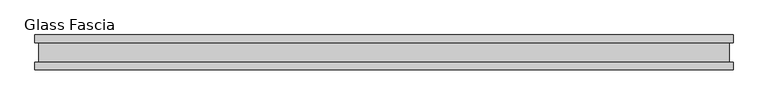
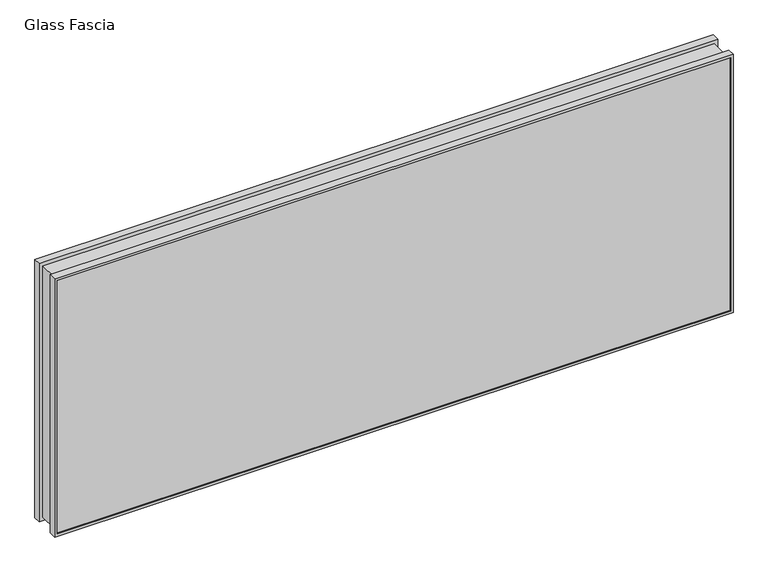
"""IFC4 building model written with IfcOpenShell, lengths in millimetres: proxy geometry, Glass Fascia."""

from ifc_helpers import new_model, si_unit, frame, origin, place, context, project, spatial, polyline, outline, extrude, faceted_brep, source, transform, mapped, element, save


def glass_fascia_e55c546c(model_context):
    return source(origin(), model_context, "Body", "SolidModel", [
        faceted_brep([(998.8721539, 50.0558594, 807.593), (998.8721539, 28.2698798, 807.593), (998.8721539, 28.2698798, 3.175), (998.8721539, 50.0558594, 3.175), (991.4369461, 47.1322551, 800.1577922), (991.4369461, 50.0558594, 800.1577922), (991.4369461, 50.0558594, 10.6102078), (991.4369461, 47.1322551, 10.6102078), (996.7196276, 41.1791301, 805.4404737), (996.7196276, 47.1322551, 805.4404737), (996.7196276, 47.1322551, 5.3275263), (996.7196276, 41.1791301, 5.3275263), (996.7196276, -46.8808594, 805.4404737), (996.7196276, -40.9277344, 805.4404737), (996.7196276, -40.9277344, 5.3275263), (996.7196276, -46.8808594, 5.3275263), (991.4369461, -50.0558594, 800.1577922), (991.4369461, -46.8808594, 800.1577922), (991.4369461, -46.8808594, 10.6102078), (991.4369461, -50.0558594, 10.6102078), (998.8721539, -28.8801202, 807.593), (998.8721539, -50.0558594, 807.593), (998.8721539, -50.0558594, 3.175), (998.8721539, -28.8801202, 3.175), (988.0203125, 28.2698798, 796.7411586), (988.0203125, -28.8801202, 796.7411586), (988.0203125, -28.8801202, 14.0268414), (988.0203125, 28.2698798, 14.0268414), (-998.8721539, 28.2698798, 3.175), (-998.8721539, 50.0558594, 3.175), (-991.4369461, 50.0558594, 10.6102078), (-991.4369461, 47.1322551, 10.6102078), (-996.7196276, 47.1322551, 5.3275263), (-996.7196276, 41.1791301, 5.3275263), (-996.7196276, -40.9277344, 5.3275263), (-996.7196276, -46.8808594, 5.3275263), (-991.4369461, -46.8808594, 10.6102078), (-991.4369461, -50.0558594, 10.6102078), (-998.8721539, -50.0558594, 3.175), (-998.8721539, -28.8801202, 3.175), (-988.0203125, -28.8801202, 14.0268414), (-988.0203125, 28.2698798, 14.0268414), (-998.8721539, 28.2698798, 807.593), (-998.8721539, 50.0558594, 807.593), (-991.4369461, 50.0558594, 800.1577922), (-991.4369461, 47.1322551, 800.1577922), (-996.7196276, 47.1322551, 805.4404737), (-996.7196276, 41.1791301, 805.4404737), (-996.7196276, -40.9277344, 805.4404737), (-996.7196276, -46.8808594, 805.4404737), (-991.4369461, -46.8808594, 800.1577922), (-991.4369461, -50.0558594, 800.1577922), (-998.8721539, -50.0558594, 807.593), (-998.8721539, -28.8801202, 807.593), (-988.0203125, -28.8801202, 796.7411586), (-988.0203125, 28.2698798, 796.7411586), (973.4092029, 41.1791301, 782.130049), (-973.4092029, 41.1791301, 782.130049), (-973.4092029, 41.1791301, 28.637951), (973.4092029, 41.1791301, 28.637951), (973.4092029, -40.9277344, 28.637951), (-973.4092029, -40.9277344, 28.637951), (-973.4092029, -40.9277344, 782.130049), (973.4092029, -40.9277344, 782.130049), (973.4092029, 4.7625, 782.130049), (973.4092029, 4.7625, 28.637951), (-973.4092029, 4.7625, 28.637951), (-973.4092029, 4.7625, 782.130049), (983.7279529, -4.7625, 792.448799), (983.7279529, 4.7625, 792.448799), (983.7279529, 4.7625, 18.319201), (983.7279529, -4.7625, 18.319201), (973.4092029, -4.7625, 782.130049), (973.4092029, -4.7625, 28.637951), (-983.7279529, 4.7625, 18.319201), (-983.7279529, -4.7625, 18.319201), (-973.4092029, -4.7625, 28.637951), (-983.7279529, 4.7625, 792.448799), (-983.7279529, -4.7625, 792.448799), (-973.4092029, -4.7625, 782.130049)], [[[0, 1, 2, 3]], [[4, 5, 6, 7]], [[8, 9, 10, 11]], [[12, 13, 14, 15]], [[16, 17, 18, 19]], [[20, 21, 22, 23]], [[24, 25, 26, 27]], [[3, 2, 28, 29]], [[7, 6, 30, 31]], [[11, 10, 32, 33]], [[15, 14, 34, 35]], [[19, 18, 36, 37]], [[23, 22, 38, 39]], [[27, 26, 40, 41]], [[29, 28, 42, 43]], [[31, 30, 44, 45]], [[33, 32, 46, 47]], [[35, 34, 48, 49]], [[37, 36, 50, 51]], [[39, 38, 52, 53]], [[41, 40, 54, 55]], [[43, 42, 1, 0]], [[3, 29, 43, 0], [5, 44, 30, 6]], [[45, 44, 5, 4]], [[9, 46, 32, 10], [7, 31, 45, 4]], [[47, 46, 9, 8]], [[11, 33, 47, 8], [56, 57, 58, 59]], [[13, 48, 34, 14], [60, 61, 62, 63]], [[49, 48, 13, 12]], [[15, 35, 49, 12], [17, 50, 36, 18]], [[51, 50, 17, 16]], [[21, 52, 38, 22], [19, 37, 51, 16]], [[53, 52, 21, 20]], [[23, 39, 53, 20], [25, 54, 40, 26]], [[55, 54, 25, 24]], [[1, 42, 28, 2], [27, 41, 55, 24]], [[64, 56, 59, 65]], [[65, 59, 58, 66]], [[66, 58, 57, 67]], [[67, 57, 56, 64]], [[68, 69, 70, 71]], [[63, 72, 73, 60]], [[71, 70, 74, 75]], [[60, 73, 76, 61]], [[75, 74, 77, 78]], [[61, 76, 79, 62]], [[69, 77, 74, 70], [65, 66, 67, 64]], [[78, 77, 69, 68]], [[62, 79, 72, 63]], [[71, 75, 78, 68], [72, 79, 76, 73]]]),
        extrude(outline(polyline([(996.7196276, -40.9277344), (996.7196276, -46.8808594), (-996.7196276, -46.8808594), (-996.7196276, -40.9277344), (996.7196276, -40.9277344)])), frame((0.0, 0.0, 5.3275263), z_axis=(0.0, 0.0, 1.0), x_axis=(1.0, 0.0, 0.0)), (0.0, 0.0, 1.0), 799.618928),
        extrude(outline(polyline([(996.7196276, 41.1791301), (-996.7196276, 41.1791301), (-996.7196276, 47.1322551), (996.7196276, 47.1322551), (996.7196276, 41.1791301)])), frame((0.0, 0.0, 5.3275263), z_axis=(0.0, 0.0, 1.0), x_axis=(1.0, 0.0, 0.0)), (0.0, 0.0, 1.0), 799.618928),
    ])


if __name__ == "__main__":
    model = new_model("IFC4")
    model_context = context("Model", 3, world=origin())
    ifc_project = project(units=[si_unit("LENGTHUNIT", "METRE", prefix="MILLI")], contexts=[model_context])
    site = spatial("IfcSite", under=ifc_project)
    building = spatial("IfcBuilding", under=site)
    placement = place(None, origin())
    glass_fascia_shape = glass_fascia_e55c546c(model_context)
    element("IfcBuildingElementProxy", 1, Name="Glass Fascia", ObjectType="Glass Fascia", at=placement, inside=building, context=model_context, shape_type="MappedRepresentation", body=[
        mapped(glass_fascia_shape, transform((0.0, 0.0, 0.0), x_axis=(1.0, 0.0, 0.0), y_axis=(0.0, 1.0, 0.0), z_axis=(0.0, 0.0, 1.0))),
    ])
    save(model, "model.ifc")
